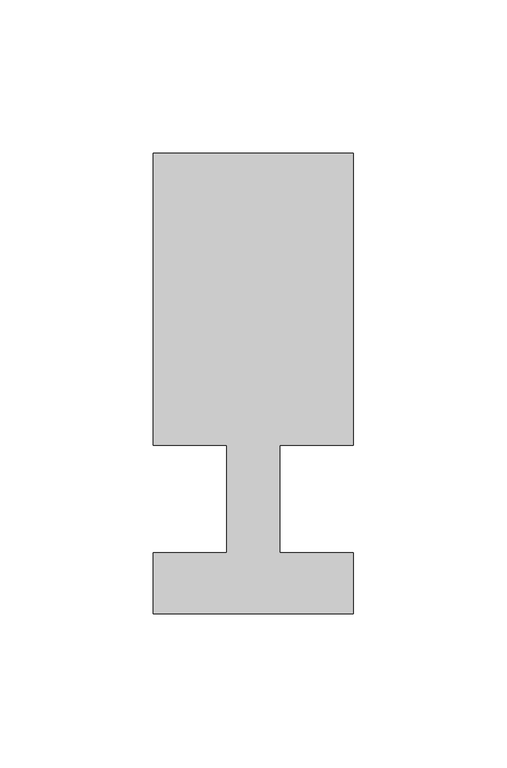
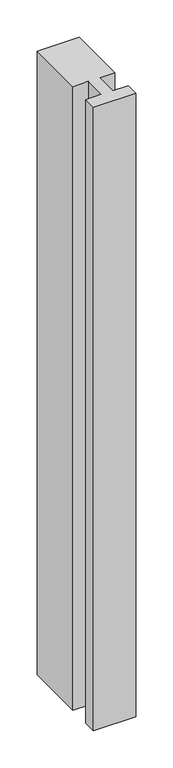
"""IFC4 building model written with IfcOpenShell, lengths in millimetres: member geometry."""

from ifc_helpers import new_model, si_unit, frame, origin, place, context, project, spatial, polyline, outline, extrude, source, transform, mapped, element, save


def member_4ffad5d6(model_context):
    return source(origin(), model_context, "Body", "SweptSolid", [
        extrude(outline(polyline([(-65.0, -37.0), (-65.0, -17.0), (-41.1875, -17.0), (-41.1875, 18.0), (-65.0, 18.0), (-65.0, 113.0), (0.0, 113.0), (0.0, 18.0), (-23.8125, 18.0), (-23.8125, -17.0), (0.0, -17.0), (0.0, -37.0), (-65.0, -37.0)])), frame((0.0, 0.0, -1018.3333333), z_axis=(0.0, 0.0, 1.0), x_axis=(1.0, 0.0, 0.0)), (0.0, 0.0, 1.0), 1018.3333333),
    ])


if __name__ == "__main__":
    model = new_model("IFC4")
    model_context = context("Model", 3, world=origin())
    ifc_project = project(units=[si_unit("LENGTHUNIT", "METRE", prefix="MILLI")], contexts=[model_context])
    site = spatial("IfcSite", under=ifc_project)
    building = spatial("IfcBuilding", under=site)
    placement = place(None, origin())
    member_shape = member_4ffad5d6(model_context)
    element("IfcMember", 1, at=placement, inside=building, context=model_context, shape_type="MappedRepresentation", body=[
        mapped(member_shape, transform((0.0, 0.0, 0.0), x_axis=(1.0, 0.0, 0.0), y_axis=(0.0, 1.0, 0.0), z_axis=(0.0, 0.0, 1.0))),
    ])
    save(model, "model.ifc")
